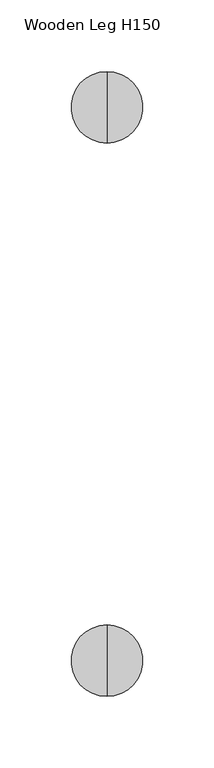
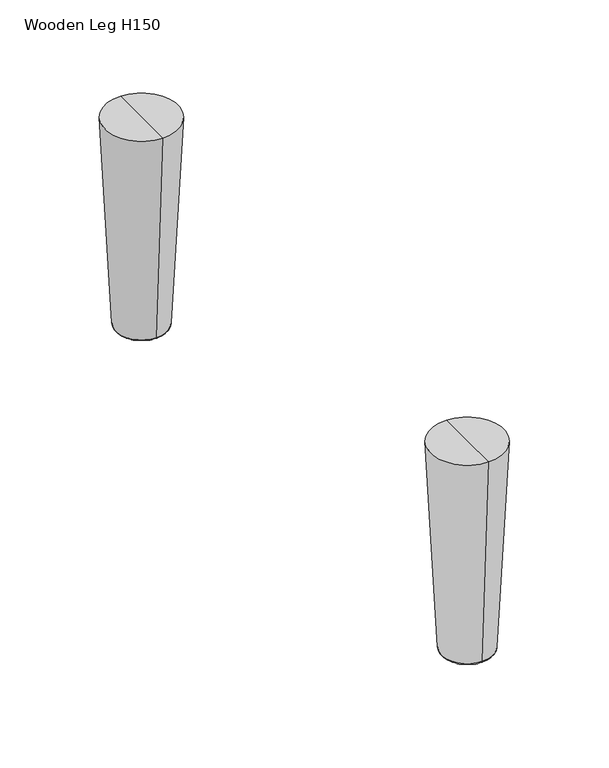
"""IFC4 building model written with IfcOpenShell, lengths in millimetres: furniture geometry, Wooden Leg H150."""

from ifc_helpers import new_model, si_unit, point, frame, origin, place, context, project, spatial, polyline, circle_curve, ellipse_curve, trimmed, source, transform, mapped, element, save
from ifc_brep_helpers import plane_surface, cylinder_surface, revolved_surface, advanced_brep


def wooden_leg_h150_153578fb(model_context):
    return source(origin(), model_context, "Body", "AdvancedBrep", [
        advanced_brep(
        [(90.0, 409.3735315, 0.6299678), (90.0, 409.3735315, 4.0738905), (90.0, 427.539616, 4.0738905), (90.0, 427.539616, 0.6299678), (90.0, 411.3867731, 6.9490974), (90.0, 425.5263745, 6.9490974), (90.0, 411.3867731, 68.0), (90.0, 425.5263745, 68.0), (90.0, 418.4565738, 68.0), (90.0, 418.4565738, 0.0), (90.0, 410.0034993, 0.0), (90.0, 426.9096482, 0.0)],
        [
            (0, 1),
            (1, 2, circle_curve(frame((90.0, 418.4565738, 4.0738905), z_axis=(0.0, 0.0, -1.0), x_axis=(0.0, 1.0, 0.0)), 9.0830423)),
            (2, 3),
            (3, 0, circle_curve(frame((90.0, 418.4565738, 0.6299678), z_axis=(0.0, 0.0, 1.0), x_axis=(0.0, 1.0, 0.0)), 9.0830423)),
            (2, 1, circle_curve(frame((90.0, 418.4565738, 4.0738905), z_axis=(0.0, 0.0, -1.0), x_axis=(0.0, 1.0, 0.0)), 9.0830423)),
            (0, 3, circle_curve(frame((90.0, 418.4565738, 0.6299678), z_axis=(0.0, 0.0, 1.0), x_axis=(0.0, 1.0, 0.0)), 9.0830423)),
            (1, 4),
            (4, 5, circle_curve(frame((90.0, 418.4565738, 6.9490974), z_axis=(0.0, 0.0, -1.0), x_axis=(0.0, 1.0, 0.0)), 7.0698007)),
            (5, 2),
            (5, 4, circle_curve(frame((90.0, 418.4565738, 6.9490974), z_axis=(0.0, 0.0, -1.0), x_axis=(0.0, 1.0, 0.0)), 7.0698007)),
            (4, 6),
            (6, 7, circle_curve(frame((90.0, 418.4565738, 68.0), z_axis=(0.0, 0.0, -1.0), x_axis=(0.0, 1.0, 0.0)), 7.0698007)),
            (7, 5),
            (7, 6, circle_curve(frame((90.0, 418.4565738, 68.0), z_axis=(0.0, 0.0, -1.0), x_axis=(0.0, 1.0, 0.0)), 7.0698007)),
            (6, 8),
            (8, 7),
            (9, 10),
            (10, 11, circle_curve(frame((90.0, 418.4565738, 0.0), z_axis=(0.0, 0.0, -1.0), x_axis=(0.0, 1.0, 0.0)), 8.4530745)),
            (11, 9),
            (11, 10, circle_curve(frame((90.0, 418.4565738, 0.0), z_axis=(0.0, 0.0, -1.0), x_axis=(0.0, 1.0, 0.0)), 8.4530745)),
            (10, 0, circle_curve(frame((90.0, 410.0034993, 0.6299678), z_axis=(-1.0, 0.0, 0.0), x_axis=(0.0, 1.0, 0.0)), 0.6299678)),
            (3, 11, circle_curve(frame((90.0, 426.9096482, 0.6299678), z_axis=(-1.0, 0.0, 0.0), x_axis=(0.0, -1.0, 0.0)), 0.6299678)),
        ],
        [
            cylinder_surface(frame((90.0, 418.4565738, 5.6670351), z_axis=(0.0, 0.0, -1.0), x_axis=(0.0, 1.0, 0.0)), 9.0830423),
            revolved_surface(polyline([(90.0, 425.5263745, 6.9490974), (90.0, 427.539616, 4.0738905)]), (90.0, 418.4565738, 5.6670351), (0.0, 0.0, -1.0)),
            cylinder_surface(frame((90.0, 418.4565738, 5.6670351), z_axis=(0.0, 0.0, -1.0), x_axis=(0.0, 1.0, 0.0)), 7.0698007),
            plane_surface(frame((90.0, 418.4565738, 68.0), z_axis=(0.0, 0.0, 1.0), x_axis=(0.0, 1.0, 0.0))),
            plane_surface(frame((90.0, 418.4565738, 0.0), z_axis=(0.0, 0.0, -1.0), x_axis=(0.0, 1.0, 0.0))),
            revolved_surface(trimmed(ellipse_curve(frame((90.0, 426.9096482, 0.6299678), z_axis=(-1.0, 0.0, 0.0), x_axis=(0.0, -1.0, 0.0)), 0.6299678, 0.6299678), [point((90.0, 427.539616, 0.6299678))], [point((90.0, 426.9096482, 0.0))], True, "CARTESIAN"), (90.0, 418.4565738, 5.6670351), (0.0, 0.0, -1.0)),
        ],
        [
            (0, [[1, 2, 3, 4]]),
            (0, [[-3, 5, -1, 6]]),
            (1, [[7, 8, 9, -2]]),
            (1, [[-9, 10, -7, -5]]),
            (2, [[11, 12, 13, -8]]),
            (2, [[-13, 14, -11, -10]]),
            (3, [[15, 16, -12]]),
            (3, [[-16, -15, -14]]),
            (4, [[17, 18, 19]]),
            (4, [[-19, 20, -17]]),
            (5, [[21, -4, 22, -18]]),
            (5, [[-22, -6, -21, -20]]),
        ],
    ),
        advanced_brep(
        [(90.0, 393.513709, 152.0), (90.0, 418.513709, 152.0), (90.0, 443.513709, 152.0), (90.0, 418.513709, 2.0), (90.0, 401.9244003, 2.0), (90.0, 435.1030176, 2.0), (90.0, 400.9376404, 2.9388378), (90.0, 436.0897775, 2.9388378)],
        [
            (0, 1),
            (1, 2),
            (2, 0, circle_curve(frame((90.0, 418.513709, 152.0), z_axis=(0.0, 0.0, 1.0), x_axis=(0.0, 1.0, 0.0)), 25.0)),
            (0, 2, circle_curve(frame((90.0, 418.513709, 152.0), z_axis=(0.0, 0.0, 1.0), x_axis=(0.0, 1.0, 0.0)), 25.0)),
            (3, 4),
            (4, 5, circle_curve(frame((90.0, 418.513709, 2.0), z_axis=(0.0, 0.0, -1.0), x_axis=(0.0, 1.0, 0.0)), 16.5893086)),
            (5, 3),
            (5, 4, circle_curve(frame((90.0, 418.513709, 2.0), z_axis=(0.0, 0.0, -1.0), x_axis=(0.0, 1.0, 0.0)), 16.5893086)),
            (6, 0),
            (2, 7),
            (7, 6, circle_curve(frame((90.0, 418.513709, 2.9388378), z_axis=(0.0, 0.0, 1.0), x_axis=(0.0, 1.0, 0.0)), 17.5760685)),
            (6, 7, circle_curve(frame((90.0, 418.513709, 2.9388378), z_axis=(0.0, 0.0, 1.0), x_axis=(0.0, 1.0, 0.0)), 17.5760685)),
            (4, 6, circle_curve(frame((90.0, 401.9244003, 2.987983), z_axis=(-1.0, 0.0, 0.0), x_axis=(0.0, 1.0, 0.0)), 0.987983)),
            (7, 5, circle_curve(frame((90.0, 435.1030176, 2.987983), z_axis=(-1.0, 0.0, 0.0), x_axis=(0.0, -1.0, 0.0)), 0.987983)),
        ],
        [
            plane_surface(frame((90.0, 418.513709, 152.0), z_axis=(0.0, 0.0, 1.0), x_axis=(0.0, 1.0, 0.0))),
            plane_surface(frame((90.0, 418.513709, 2.0), z_axis=(0.0, 0.0, -1.0), x_axis=(0.0, 1.0, 0.0))),
            revolved_surface(polyline([(90.0, 443.513709, 152.0), (90.0, 436.0897775, 2.9388378)]), (90.0, 418.513709, 152.0), (0.0, 0.0, -1.0)),
            revolved_surface(trimmed(ellipse_curve(frame((90.0, 435.1030176, 2.987983), z_axis=(-1.0, 0.0, 0.0), x_axis=(0.0, -1.0, 0.0)), 0.987983, 0.987983), [point((90.0, 436.0897775, 2.9388378))], [point((90.0, 435.1030176, 2.0))], True, "CARTESIAN"), (90.0, 418.513709, 152.0), (0.0, 0.0, -1.0)),
        ],
        [
            (0, [[1, 2, 3]]),
            (0, [[-2, -1, 4]]),
            (1, [[5, 6, 7]]),
            (1, [[-7, 8, -5]]),
            (2, [[9, -3, 10, 11]]),
            (2, [[-10, -4, -9, 12]]),
            (3, [[13, -11, 14, -6]]),
            (3, [[-14, -12, -13, -8]]),
        ],
    ),
        advanced_brep(
        [(90.0, 40.6264685, 4.0738905), (90.0, 40.6264685, 0.6299678), (90.0, 22.460384, 0.6299678), (90.0, 22.460384, 4.0738905), (90.0, 38.6132269, 6.9490974), (90.0, 24.4736255, 6.9490974), (90.0, 38.6132269, 68.0), (90.0, 24.4736255, 68.0), (90.0, 31.5434262, 68.0), (90.0, 39.9965007, 0.0), (90.0, 31.5434262, 0.0), (90.0, 23.0903518, 0.0)],
        [
            (0, 1),
            (1, 2, circle_curve(frame((90.0, 31.5434262, 0.6299678), z_axis=(0.0, 0.0, 1.0), x_axis=(0.0, -1.0, 0.0)), 9.0830423)),
            (2, 3),
            (3, 0, circle_curve(frame((90.0, 31.5434262, 4.0738905), z_axis=(0.0, 0.0, -1.0), x_axis=(0.0, -1.0, 0.0)), 9.0830423)),
            (2, 1, circle_curve(frame((90.0, 31.5434262, 0.6299678), z_axis=(0.0, 0.0, 1.0), x_axis=(0.0, -1.0, 0.0)), 9.0830423)),
            (0, 3, circle_curve(frame((90.0, 31.5434262, 4.0738905), z_axis=(0.0, 0.0, -1.0), x_axis=(0.0, -1.0, 0.0)), 9.0830423)),
            (4, 0),
            (3, 5),
            (5, 4, circle_curve(frame((90.0, 31.5434262, 6.9490974), z_axis=(0.0, 0.0, -1.0), x_axis=(0.0, -1.0, 0.0)), 7.0698007)),
            (4, 5, circle_curve(frame((90.0, 31.5434262, 6.9490974), z_axis=(0.0, 0.0, -1.0), x_axis=(0.0, -1.0, 0.0)), 7.0698007)),
            (6, 4),
            (5, 7),
            (7, 6, circle_curve(frame((90.0, 31.5434262, 68.0), z_axis=(0.0, 0.0, -1.0), x_axis=(0.0, -1.0, 0.0)), 7.0698007)),
            (6, 7, circle_curve(frame((90.0, 31.5434262, 68.0), z_axis=(0.0, 0.0, -1.0), x_axis=(0.0, -1.0, 0.0)), 7.0698007)),
            (8, 6),
            (7, 8),
            (9, 10),
            (10, 11),
            (11, 9, circle_curve(frame((90.0, 31.5434262, 0.0), z_axis=(0.0, 0.0, -1.0), x_axis=(0.0, -1.0, 0.0)), 8.4530745)),
            (9, 11, circle_curve(frame((90.0, 31.5434262, 0.0), z_axis=(0.0, 0.0, -1.0), x_axis=(0.0, -1.0, 0.0)), 8.4530745)),
            (1, 9, circle_curve(frame((90.0, 39.9965007, 0.6299678), z_axis=(-1.0, 0.0, 0.0), x_axis=(0.0, -1.0, 0.0)), 0.6299678)),
            (11, 2, circle_curve(frame((90.0, 23.0903518, 0.6299678), z_axis=(-1.0, 0.0, 0.0), x_axis=(0.0, 1.0, 0.0)), 0.6299678)),
        ],
        [
            cylinder_surface(frame((90.0, 31.5434262, 5.6670351), z_axis=(0.0, 0.0, 1.0), x_axis=(0.0, -1.0, 0.0)), 9.0830423),
            revolved_surface(polyline([(90.0, 22.460384, 4.0738905), (90.0, 24.4736255, 6.9490974)]), (90.0, 31.5434262, 5.6670351), (0.0, 0.0, 1.0)),
            cylinder_surface(frame((90.0, 31.5434262, 5.6670351), z_axis=(0.0, 0.0, 1.0), x_axis=(0.0, -1.0, 0.0)), 7.0698007),
            plane_surface(frame((90.0, 31.5434262, 68.0), z_axis=(0.0, 0.0, 1.0), x_axis=(0.0, -1.0, 0.0))),
            plane_surface(frame((90.0, 31.5434262, 0.0), z_axis=(0.0, 0.0, -1.0), x_axis=(0.0, -1.0, 0.0))),
            revolved_surface(trimmed(ellipse_curve(frame((90.0, 23.0903518, 0.6299678), z_axis=(-1.0, 0.0, 0.0), x_axis=(0.0, 1.0, 0.0)), 0.6299678, 0.6299678), [point((90.0, 23.0903518, 0.0))], [point((90.0, 22.460384, 0.6299678))], True, "CARTESIAN"), (90.0, 31.5434262, 5.6670351), (0.0, 0.0, 1.0)),
        ],
        [
            (0, [[1, 2, 3, 4]]),
            (0, [[-3, 5, -1, 6]]),
            (1, [[7, -4, 8, 9]]),
            (1, [[-8, -6, -7, 10]]),
            (2, [[11, -9, 12, 13]]),
            (2, [[-12, -10, -11, 14]]),
            (3, [[15, -13, 16]]),
            (3, [[-16, -14, -15]]),
            (4, [[17, 18, 19]]),
            (4, [[-18, -17, 20]]),
            (5, [[21, -19, 22, -2]]),
            (5, [[-22, -20, -21, -5]]),
        ],
    ),
        advanced_brep(
        [(90.0, 31.486291, 152.0), (90.0, 56.486291, 152.0), (90.0, 6.486291, 152.0), (90.0, 48.0755997, 2.0), (90.0, 31.486291, 2.0), (90.0, 14.8969824, 2.0), (90.0, 49.0623596, 2.9388378), (90.0, 13.9102225, 2.9388378)],
        [
            (0, 1),
            (1, 2, circle_curve(frame((90.0, 31.486291, 152.0), z_axis=(0.0, 0.0, 1.0), x_axis=(0.0, -1.0, 0.0)), 25.0)),
            (2, 0),
            (2, 1, circle_curve(frame((90.0, 31.486291, 152.0), z_axis=(0.0, 0.0, 1.0), x_axis=(0.0, -1.0, 0.0)), 25.0)),
            (3, 4),
            (4, 5),
            (5, 3, circle_curve(frame((90.0, 31.486291, 2.0), z_axis=(0.0, 0.0, -1.0), x_axis=(0.0, -1.0, 0.0)), 16.5893086)),
            (3, 5, circle_curve(frame((90.0, 31.486291, 2.0), z_axis=(0.0, 0.0, -1.0), x_axis=(0.0, -1.0, 0.0)), 16.5893086)),
            (1, 6),
            (6, 7, circle_curve(frame((90.0, 31.486291, 2.9388378), z_axis=(0.0, 0.0, 1.0), x_axis=(0.0, -1.0, 0.0)), 17.5760685)),
            (7, 2),
            (7, 6, circle_curve(frame((90.0, 31.486291, 2.9388378), z_axis=(0.0, 0.0, 1.0), x_axis=(0.0, -1.0, 0.0)), 17.5760685)),
            (6, 3, circle_curve(frame((90.0, 48.0755997, 2.987983), z_axis=(-1.0, 0.0, 0.0), x_axis=(0.0, -1.0, 0.0)), 0.987983)),
            (5, 7, circle_curve(frame((90.0, 14.8969824, 2.987983), z_axis=(-1.0, 0.0, 0.0), x_axis=(0.0, 1.0, 0.0)), 0.987983)),
        ],
        [
            plane_surface(frame((90.0, 31.486291, 152.0), z_axis=(0.0, 0.0, 1.0), x_axis=(0.0, -1.0, 0.0))),
            plane_surface(frame((90.0, 31.486291, 2.0), z_axis=(0.0, 0.0, -1.0), x_axis=(0.0, -1.0, 0.0))),
            revolved_surface(polyline([(90.0, 13.9102225, 2.9388378), (90.0, 6.486291, 152.0)]), (90.0, 31.486291, 152.0), (0.0, 0.0, 1.0)),
            revolved_surface(trimmed(ellipse_curve(frame((90.0, 14.8969824, 2.987983), z_axis=(-1.0, 0.0, 0.0), x_axis=(0.0, 1.0, 0.0)), 0.987983, 0.987983), [point((90.0, 14.8969824, 2.0))], [point((90.0, 13.9102225, 2.9388378))], True, "CARTESIAN"), (90.0, 31.486291, 152.0), (0.0, 0.0, 1.0)),
        ],
        [
            (0, [[1, 2, 3]]),
            (0, [[-3, 4, -1]]),
            (1, [[5, 6, 7]]),
            (1, [[-6, -5, 8]]),
            (2, [[9, 10, 11, -2]]),
            (2, [[-11, 12, -9, -4]]),
            (3, [[13, -7, 14, -10]]),
            (3, [[-14, -8, -13, -12]]),
        ],
    ),
    ])


if __name__ == "__main__":
    model = new_model("IFC4")
    model_context = context("Model", 3, world=origin())
    ifc_project = project(units=[si_unit("LENGTHUNIT", "METRE", prefix="MILLI")], contexts=[model_context])
    site = spatial("IfcSite", under=ifc_project)
    building = spatial("IfcBuilding", under=site)
    placement = place(None, origin())
    wooden_leg_h150_shape = wooden_leg_h150_153578fb(model_context)
    element("IfcFurniture", 1, ObjectType="Wooden Leg H150", at=placement, inside=building, context=model_context, shape_type="MappedRepresentation", body=[
        mapped(wooden_leg_h150_shape, transform((0.0, 0.0, 0.0), x_axis=(1.0, 0.0, 0.0), y_axis=(0.0, 1.0, 0.0), z_axis=(0.0, 0.0, 1.0))),
    ])
    save(model, "model.ifc")
